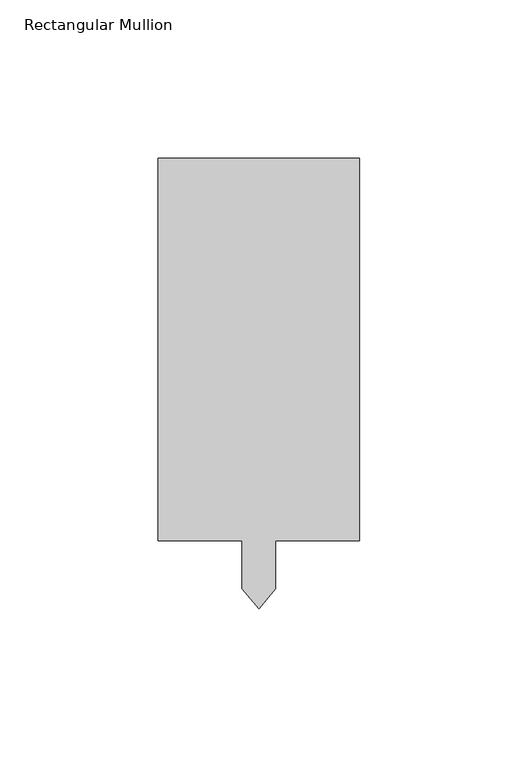
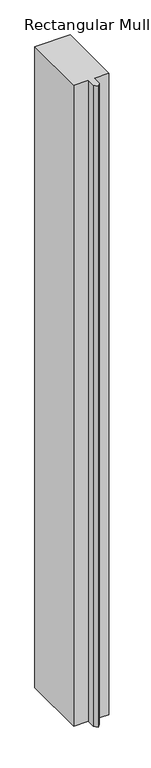
"""IFC4 building model written with IfcOpenShell, lengths in millimetres: member geometry, Rectangular Mullion."""

from ifc_helpers import new_model, si_unit, frame, origin, place, context, project, spatial, polyline, outline, extrude, source, transform, mapped, element, save


def rectangular_mullion_3f66f27e(model_context):
    return source(origin(), model_context, "Body", "SweptSolid", [
        extrude(outline(polyline([(31.75, 152.4), (31.75, 31.75), (5.3213, 31.75), (5.3213, 16.5462869), (0.0, 10.2046085), (-5.3213, 16.5462869), (-5.3213, 31.75), (-31.75, 31.75), (-31.75, 152.4), (31.75, 152.4)])), frame((0.0, 0.0, -1219.2), z_axis=(0.0, 0.0, 1.0), x_axis=(1.0, 0.0, 0.0)), (0.0, 0.0, 1.0), 1219.2),
    ])


if __name__ == "__main__":
    model = new_model("IFC4")
    model_context = context("Model", 3, world=origin())
    ifc_project = project(units=[si_unit("LENGTHUNIT", "METRE", prefix="MILLI")], contexts=[model_context])
    site = spatial("IfcSite", under=ifc_project)
    building = spatial("IfcBuilding", under=site)
    placement = place(None, origin())
    rectangular_mullion_shape = rectangular_mullion_3f66f27e(model_context)
    element("IfcMember", 1, ObjectType="Rectangular Mullion", at=placement, inside=building, context=model_context, shape_type="MappedRepresentation", body=[
        mapped(rectangular_mullion_shape, transform((0.0, 0.0, 0.0), x_axis=(1.0, 0.0, 0.0), y_axis=(0.0, 1.0, 0.0), z_axis=(0.0, 0.0, 1.0))),
    ])
    save(model, "model.ifc")
